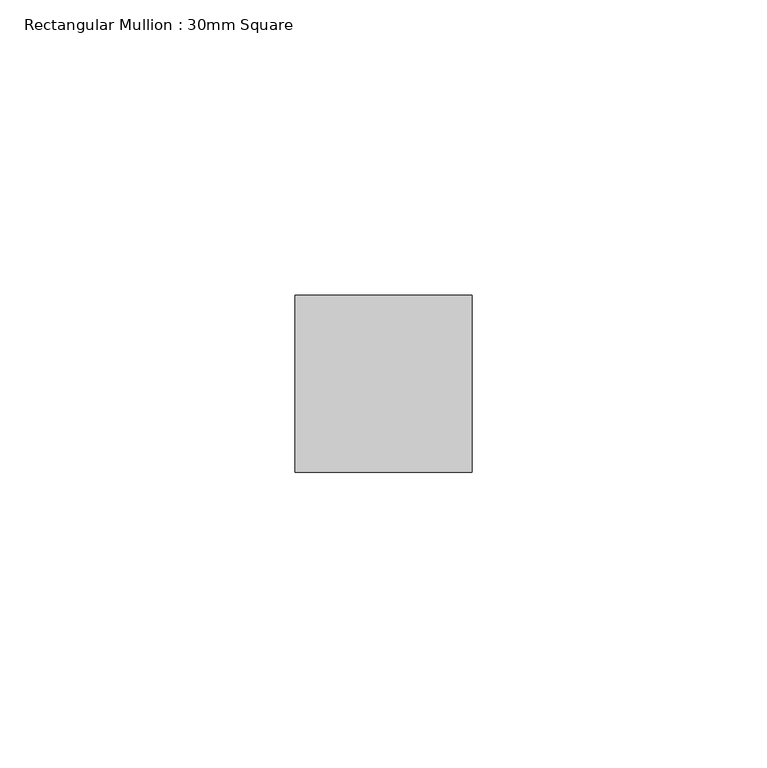
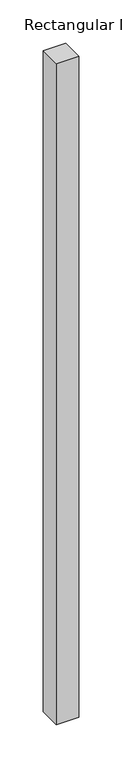
"""IFC4 building model written with IfcOpenShell, lengths in millimetres: member geometry, Rectangular Mullion : 30mm Square."""

import ifcopenshell
import ifcopenshell.guid

model = None  # the IFC model being written
_history = None  # IfcOwnerHistory: only IFC2X3 demands one
_inside = {}  # id of a spatial element -> (the spatial element, [elements in it])
_under = {}  # id of a project, library or spatial element -> (it, [spatial elements below it])
_declared = {}  # id of a project -> (the project, [libraries it declares])
_typed = {}  # id of a type object -> (the type object, [elements of that type])
_made_of = {}  # id of a material, layer set ... -> (it, [elements and type objects made of it])


def new_model(schema):
    """Start an empty IFC model of exactly this schema.

    Asked for "IFC4X3", IfcOpenShell would pick the latest addendum, in which some entities
    have other attributes; the version numbers below select the first issue.
    IFC2X3 requires an IfcOwnerHistory on every rooted entity: one is made here for all.
    """
    global model, _history
    if schema == "IFC4X3":
        model = ifcopenshell.file(schema_version=(4, 3, 0, 0))
    else:
        model = ifcopenshell.file(schema=schema)
    _inside.clear()
    _under.clear()
    _declared.clear()
    _typed.clear()
    _made_of.clear()
    _history = None
    if model.schema == "IFC2X3":
        org = make("IfcOrganization", Name="unknown")
        user = make(
            "IfcPersonAndOrganization",
            ThePerson=make("IfcPerson", FamilyName="unknown"),
            TheOrganization=org,
        )
        app = make(
            "IfcApplication",
            ApplicationDeveloper=org,
            Version="unknown",
            ApplicationFullName="unknown",
            ApplicationIdentifier="unknown",
        )
        _history = make(
            "IfcOwnerHistory",
            OwningUser=user,
            OwningApplication=app,
            ChangeAction="ADDED",
            CreationDate=0,
        )
    return model


def make(cls, **values):
    """One entity of the class cls with the attributes given. An attribute that is None is left unset."""
    return model.create_entity(
        cls, **{name: value for name, value in values.items() if value is not None}
    )


def rooted(cls, **values):
    """An entity with a GlobalId (a new one), such as an element, a storey or a relation."""
    return make(cls, GlobalId=ifcopenshell.guid.new(), OwnerHistory=_history, **values)


def si_unit(unit_type, name, prefix=None):
    """IfcSIUnit, for example si_unit("LENGTHUNIT", "METRE", prefix="MILLI")."""
    return make("IfcSIUnit", UnitType=unit_type, Prefix=prefix, Name=name)


def assignment(units):
    """IfcUnitAssignment: the units of a project."""
    return None if units is None else make("IfcUnitAssignment", Units=units)


def point(xyz):
    """IfcCartesianPoint."""
    return None if xyz is None else make("IfcCartesianPoint", Coordinates=xyz)


def direction(xyz):
    """IfcDirection."""
    return None if xyz is None else make("IfcDirection", DirectionRatios=xyz)


def frame(location, z_axis=None, x_axis=None):
    """IfcAxis2Placement3D, a coordinate frame: its origin and axes. An axis left out is left unset."""
    return make(
        "IfcAxis2Placement3D",
        Location=point(location),
        Axis=direction(z_axis),
        RefDirection=direction(x_axis),
    )


def origin():
    """The frame at (0, 0, 0) with its axes left unset."""
    return frame((0.0, 0.0, 0.0))


def place(relative_to, where):
    """IfcLocalPlacement: puts the frame where relative to a parent placement (None: the world)."""
    return make(
        "IfcLocalPlacement", PlacementRelTo=relative_to, RelativePlacement=where
    )


def context(
    kind, dimensions, precision=None, world=None, true_north=None, identifier=None
):
    """IfcGeometricRepresentationContext, for example the 3D "Model" context."""
    return make(
        "IfcGeometricRepresentationContext",
        ContextIdentifier=identifier,
        ContextType=kind,
        CoordinateSpaceDimension=dimensions,
        Precision=precision,
        WorldCoordinateSystem=world,
        TrueNorth=true_north,
    )


def project(units=None, contexts=None):
    """IfcProject with its units and contexts."""
    return rooted(
        "IfcProject",
        Name="project",
        RepresentationContexts=contexts,
        UnitsInContext=assignment(units),
    )


def spatial(cls, under=None, at=None, **own):
    """A site, building, storey or space (cls), placed at a placement, below another one or the project."""
    s = rooted(cls, ObjectPlacement=at, **own)
    if under is not None:
        _under.setdefault(under.id(), (under, []))[1].append(s)
    return s


def polyline(points):
    """IfcPolyline through the points."""
    return make("IfcPolyline", Points=[point(p) for p in points])


def outline(outer, holes=None, kind="AREA"):
    """IfcArbitraryClosedProfileDef: a profile drawn as a closed curve; with holes, ...WithVoids."""
    if holes is None:
        return make("IfcArbitraryClosedProfileDef", ProfileType=kind, OuterCurve=outer)
    return make(
        "IfcArbitraryProfileDefWithVoids",
        ProfileType=kind,
        OuterCurve=outer,
        InnerCurves=holes,
    )


def extrude(swept, where, along, depth):
    """IfcExtrudedAreaSolid: the profile swept, set in the frame where, extruded along a direction by depth."""
    return make(
        "IfcExtrudedAreaSolid",
        SweptArea=swept,
        Position=where,
        ExtrudedDirection=direction(along),
        Depth=depth,
    )


def shape(context_of_items, identifier, shape_type, items):
    """IfcShapeRepresentation: the items that make up one representation, for example the "Body"."""
    return make(
        "IfcShapeRepresentation",
        ContextOfItems=context_of_items,
        RepresentationIdentifier=identifier,
        RepresentationType=shape_type,
        Items=items,
    )


def source(mapping_origin, context_of_items, identifier, shape_type, items):
    """IfcRepresentationMap: a shape defined once, which mapped items show again and again."""
    return make(
        "IfcRepresentationMap",
        MappingOrigin=mapping_origin,
        MappedRepresentation=shape(context_of_items, identifier, shape_type, items),
    )


def transform(
    local_origin,
    x_axis=None,
    y_axis=None,
    z_axis=None,
    scale=None,
    scale2=None,
    scale3=None,
    uniform=True,
):
    """IfcCartesianTransformationOperator3D, or its non-uniform kind. x_axis, y_axis, z_axis: its Axis1, 2, 3."""
    if uniform:
        return make(
            "IfcCartesianTransformationOperator3D",
            Axis1=direction(x_axis),
            Axis2=direction(y_axis),
            LocalOrigin=point(local_origin),
            Scale=scale,
            Axis3=direction(z_axis),
        )
    return make(
        "IfcCartesianTransformationOperator3DnonUniform",
        Axis1=direction(x_axis),
        Axis2=direction(y_axis),
        LocalOrigin=point(local_origin),
        Scale=scale,
        Axis3=direction(z_axis),
        Scale2=scale2,
        Scale3=scale3,
    )


def mapped(mapping_source, mapping_target):
    """IfcMappedItem: shows the shape of a source again, moved by a transform."""
    return make(
        "IfcMappedItem", MappingSource=mapping_source, MappingTarget=mapping_target
    )


def made_of(thing, what):
    """Note that an element or type object is made of a material, layer set ...; save() writes the relation."""
    if what is not None:
        _made_of.setdefault(what.id(), (what, []))[1].append(thing)
    return thing


def element(
    cls,
    number,
    at=None,
    inside=None,
    cuts=None,
    type_object=None,
    material=None,
    context=None,
    identifier="Body",
    shape_type=None,
    held_by="IfcProductDefinitionShape",
    body=None,
    shapes=None,
    **own,
):
    """One element of the class cls, such as IfcWall. Its Tag is "e" and its number.

    at: its placement. inside: the storey or other place that contains it. cuts: it is an
    opening in that element (IfcRelVoidsElement). A single representation is given by context,
    identifier, shape_type and body (its items); several are given by shapes. held_by: the class
    of the entity that holds the representations. save() writes the other relations.
    """
    e = rooted(cls, Tag="e%d" % number, ObjectPlacement=at, **own)
    if body is not None:
        shapes = [shape(context, identifier, shape_type, body)]
    if shapes is not None:
        e.Representation = make(held_by, Representations=shapes)
    if inside is not None:
        _inside.setdefault(inside.id(), (inside, []))[1].append(e)
    if cuts is not None:
        rooted(
            "IfcRelVoidsElement", RelatingBuildingElement=cuts, RelatedOpeningElement=e
        )
    if type_object is not None:
        _typed.setdefault(type_object.id(), (type_object, []))[1].append(e)
    return made_of(e, material)


def aggregate(whole, parts):
    """IfcRelAggregates: a whole, such as a stair, and the parts it consists of."""
    return rooted("IfcRelAggregates", RelatingObject=whole, RelatedObjects=parts)


def save(model, path):
    """Write the relations noted so far, then the file.

    IfcRelAggregates (storeys below a building ...), IfcRelContainedInSpatialStructure (elements
    in a storey), IfcRelDefinesByType, IfcRelAssociatesMaterial and IfcRelDeclares: one each for
    every whole, place, type object, material and project.
    """
    for whole, parts in _under.values():
        aggregate(whole, parts)
    for where, things in _inside.values():
        rooted(
            "IfcRelContainedInSpatialStructure",
            RelatedElements=things,
            RelatingStructure=where,
        )
    for kind, things in _typed.values():
        rooted("IfcRelDefinesByType", RelatedObjects=things, RelatingType=kind)
    for what, things in _made_of.values():
        rooted("IfcRelAssociatesMaterial", RelatedObjects=things, RelatingMaterial=what)
    for by, libraries in _declared.values():
        rooted("IfcRelDeclares", RelatingContext=by, RelatedDefinitions=libraries)
    model.write(path)


def rectangular_mullion_30mm_square_8c63ceca(model_context):
    return source(origin(), model_context, "Body", "SweptSolid", [
        extrude(outline(polyline([(15.0, 15.0), (15.0, -15.0), (-15.0, -15.0), (-15.0, 15.0), (15.0, 15.0)])), frame((0.0, 0.0, -933.8380147), z_axis=(0.0, 0.0, 1.0), x_axis=(1.0, 0.0, 0.0)), (0.0, 0.0, 1.0), 933.8380147),
    ])


if __name__ == "__main__":
    model = new_model("IFC4")
    model_context = context("Model", 3, world=origin())
    ifc_project = project(units=[si_unit("LENGTHUNIT", "METRE", prefix="MILLI")], contexts=[model_context])
    site = spatial("IfcSite", under=ifc_project)
    building = spatial("IfcBuilding", under=site)
    placement = place(None, origin())
    rectangular_mullion_30mm_square_shape = rectangular_mullion_30mm_square_8c63ceca(model_context)
    element("IfcMember", 1, ObjectType="Rectangular Mullion : 30mm Square", at=placement, inside=building, context=model_context, shape_type="MappedRepresentation", body=[
        mapped(rectangular_mullion_30mm_square_shape, transform((0.0, 0.0, 0.0), x_axis=(1.0, 0.0, 0.0), y_axis=(0.0, 1.0, 0.0), z_axis=(0.0, 0.0, 1.0))),
    ])
    save(model, "model.ifc")
